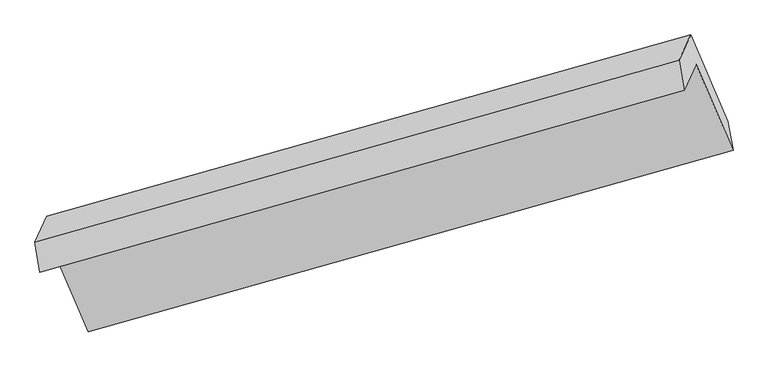
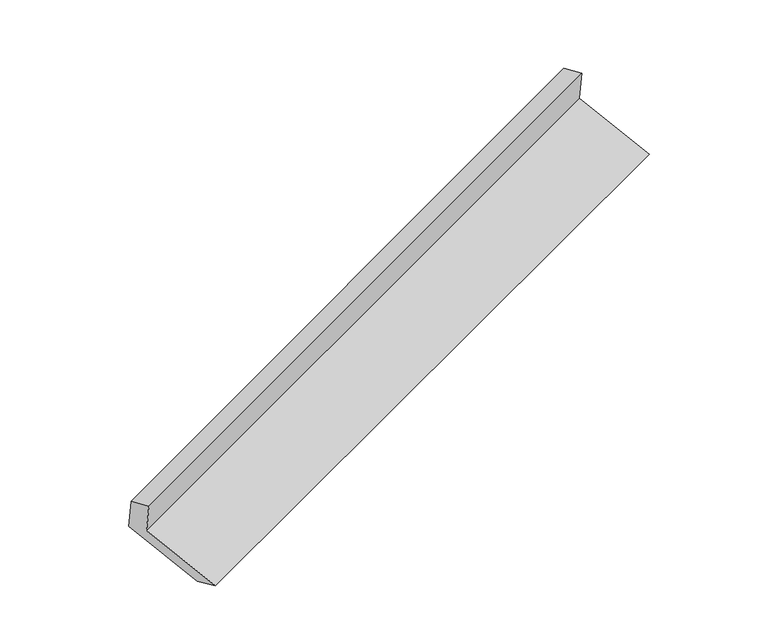
"""IFC4 building model written with IfcOpenShell, lengths in millimetres: proxy geometry."""

from ifc_helpers import new_model, si_unit, frame, origin, place, context, project, spatial, source, transform, mapped, element, save
from ifc_brep_helpers import plane_surface, spline_surface, advanced_brep


def generic_models_f4a3310f(model_context):
    return source(origin(), model_context, "Body", "AdvancedBrep", [
        advanced_brep(
        [(-5144.6409219, -2141.044726, 1482.3112864), (-5065.7083508, -1970.3190527, 1134.9313355), (-733.8513689, -742.727482, 2699.803923), (-814.78207, -917.774972, 3055.9775862), (-5178.2664181, -1940.3757131, 1418.66319), (-848.4075662, -717.1059591, 2992.3294898), (-5097.335717, -1765.3282231, 1062.4895268), (-769.4749951, -546.3802858, 2644.949539), (-4852.5353639, -2336.7150168, 837.2961222), (-520.9720094, -1126.4093686, 2416.350059), (-4820.9079978, -2541.7058464, 909.7379309), (-485.3483831, -1322.7565649, 2471.204443)],
        [
            (0, 1),
            (1, 2),
            (2, 3),
            (3, 0),
            (4, 0),
            (3, 5),
            (5, 4),
            (6, 4),
            (5, 7),
            (7, 6),
            (8, 6),
            (7, 9),
            (9, 8),
            (10, 8),
            (9, 11),
            (11, 10),
            (1, 10),
            (11, 2),
        ],
        [
            plane_surface(frame((-5105.1746364, -2055.6818893, 1308.6213109), z_axis=(0.3683592456453383, -0.8647673150662661, -0.34130478599146336), x_axis=(0.19981300684061207, 0.4321816668625105, -0.8793712351022493))),
            plane_surface(frame((-5161.45367, -2040.7102195, 1450.4872382), z_axis=(-0.38737332069538194, 0.21912436271538863, 0.895503447273101), x_axis=(0.15772577888510314, -0.9412701647222853, 0.2985515963426915))),
            plane_surface(frame((-5137.8010675, -1852.8519681, 1240.5763584), z_axis=(-0.36835924564533845, 0.8647673150662663, 0.34130478599146324), x_axis=(-0.19981300684061257, -0.4321816668625106, 0.8793712351022492))),
            plane_surface(frame((-4974.9355404, -2051.02162, 949.8928245), z_axis=(0.19981300684061076, 0.43218166686251286, -0.8793712351022487), x_axis=(-0.37026327040296503, 0.8642289124857372, 0.3406075416285153))),
            spline_surface(1, 1, [[(-4820.9079978, -2541.7058464, 909.7379309), (-485.3483831, -1322.7565649, 2471.204443)], [(-4852.5353639, -2336.7150168, 837.2961222), (-520.9720094, -1126.4093686, 2416.350059)]], [2, 2], [2, 2], [0.0, 1.0], [0.0, 1.0]),
            plane_surface(frame((-4943.3081743, -2256.0124495, 1022.3346332), z_axis=(-0.196004853237162, -0.43109726075567667, 0.8807594729984065), x_axis=(0.37026327040296503, -0.8642289124857372, -0.3406075416285153))),
            plane_surface(frame((-695.4727321, -895.525772, 2713.43584), z_axis=(0.90718238127061, 0.25754105236187064, 0.3327051749830857), x_axis=(-0.37026327040296503, 0.8642289124857372, 0.3406075416285153))),
            plane_surface(frame((-5026.5657949, -2115.914763, 1140.9048986), z_axis=(-0.9071823812706046, -0.2575410523618843, -0.3327051749830903), x_axis=(-0.19981300684061196, -0.43218166686251036, 0.8793712351022495))),
        ],
        [
            (0, [[1, 2, 3, 4]]),
            (1, [[5, -4, 6, 7]]),
            (2, [[8, -7, 9, 10]]),
            (3, [[11, -10, 12, 13]]),
            (4, [[14, -13, 15, 16]]),
            (5, [[17, -16, 18, -2]]),
            (6, [[-12, -9, -6, -3, -18, -15]]),
            (7, [[-1, -5, -8, -11, -14, -17]]),
        ],
    ),
    ])


if __name__ == "__main__":
    model = new_model("IFC4")
    model_context = context("Model", 3, world=origin())
    ifc_project = project(units=[si_unit("LENGTHUNIT", "METRE", prefix="MILLI")], contexts=[model_context])
    site = spatial("IfcSite", under=ifc_project)
    building = spatial("IfcBuilding", under=site)
    placement = place(None, origin())
    generic_models_shape = generic_models_f4a3310f(model_context)
    element("IfcBuildingElementProxy", 1, Name="Generic Models", at=placement, inside=building, context=model_context, shape_type="MappedRepresentation", body=[
        mapped(generic_models_shape, transform((0.0, 0.0, 0.0), x_axis=(1.0, 0.0, 0.0), y_axis=(0.0, 1.0, 0.0), z_axis=(0.0, 0.0, 1.0))),
    ])
    save(model, "model.ifc")
